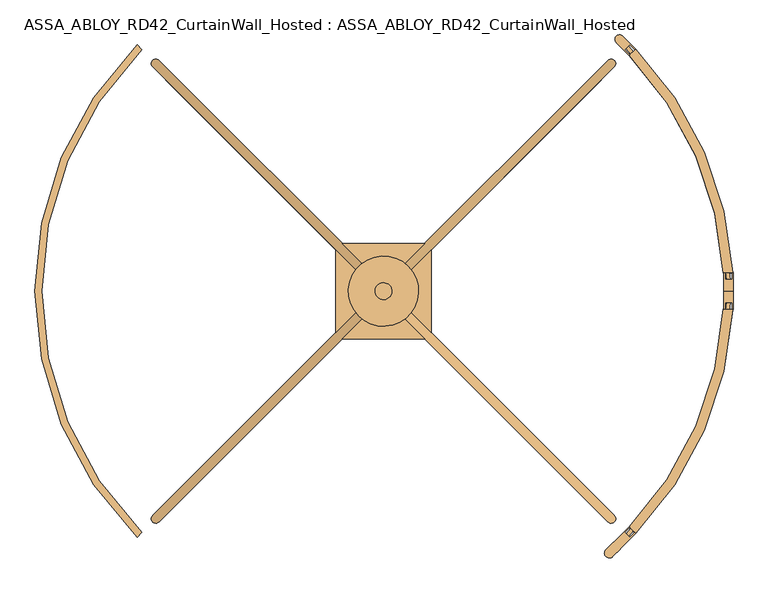
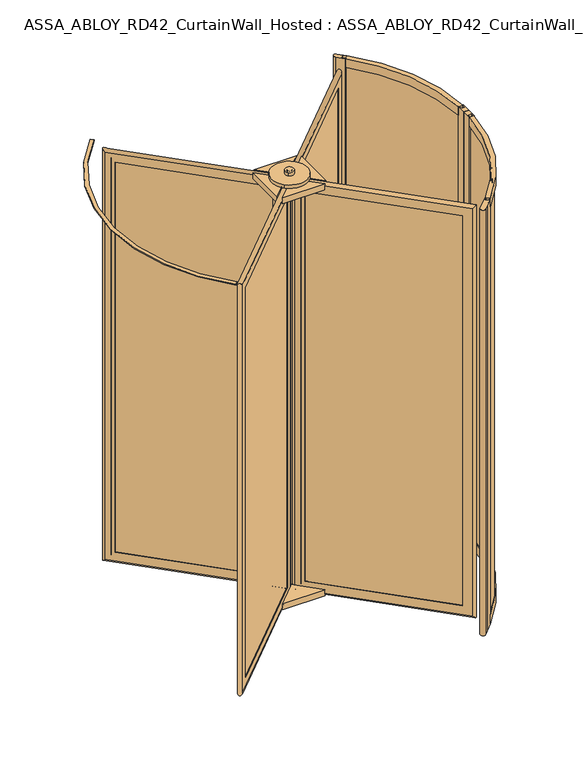
"""IFC4 building model written with IfcOpenShell, lengths in millimetres: door geometry, ASSA_ABLOY_RD42_CurtainWall_Hosted : ASSA_ABLOY_RD42_CurtainWall_Hosted."""

from ifc_helpers import new_model, si_unit, point, frame, frame_2d, origin, origin_with_axes, origin_2d, place, context, project, spatial, polyline, circle_curve, ellipse_curve, trimmed, segment, composite_curve, outline, extrude, source, transform, mapped, element, save
from ifc_brep_helpers import plane_surface, cylinder_surface, revolved_surface, advanced_brep


def assa_abloy_rd42_curtainwall_hosted_assa_abloy_rd42_5934e427(model_context):
    return source(origin(), model_context, "Body", "SolidModel", [
        advanced_brep(
        [(605.2834047, -619.4255403, 105.0), (603.1620844, -621.5468607, 105.0), (603.1620844, -621.5468607, 2395.0), (605.2834047, -619.4255403, 2395.0), (633.5676759, -619.4255403, 85.0), (619.4255403, -633.5676759, 85.0), (619.4255403, -633.5676759, 2415.0), (633.5676759, -619.4255403, 2415.0), (621.5468607, -603.1620844, 105.0), (619.4255403, -605.2834047, 105.0), (619.4255403, -605.2834047, 2395.0), (621.5468607, -603.1620844, 2395.0), (639.931637, -658.3164133, 53.0), (658.3164133, -639.931637, 53.0), (658.3164133, -639.931637, 2447.0), (639.931637, -658.3164133, 2447.0), (48.0832611, -66.4680374, 2395.0), (50.2045815, -64.3467171, 2395.0), (36.0624458, -50.2045815, 2415.0), (50.2045815, -36.0624458, 2415.0), (64.3467171, -50.2045815, 2395.0), (66.4680374, -48.0832611, 2395.0), (29.6984848, -11.3137085, 2447.0), (11.3137085, -29.6984848, 2447.0), (48.0832611, -66.4680374, 105.0), (50.2045815, -64.3467171, 105.0), (36.0624458, -50.2045815, 85.0), (50.2045815, -36.0624458, 85.0), (64.3467171, -50.2045815, 105.0), (66.4680374, -48.0832611, 105.0), (29.6984848, -11.3137085, 53.0), (11.3137085, -29.6984848, 53.0)],
        [
            (0, 1),
            (1, 2),
            (2, 3),
            (3, 0),
            (4, 5),
            (5, 6),
            (6, 7),
            (7, 4),
            (8, 9),
            (9, 10),
            (10, 11),
            (11, 8),
            (12, 13, ellipse_curve(frame((649.1240251, -649.1240251, 53.0), z_axis=(0.4999999999999917, -0.5000000000000084, 0.7071067811865475), x_axis=(0.5000000000000054, -0.4999999999999945, -0.7071067811865476)), 18.3847763, 13.0)),
            (13, 14),
            (14, 15, ellipse_curve(frame((649.1240251, -649.1240251, 2447.0), z_axis=(0.5000000000000054, -0.49999999999999456, -0.7071067811865475), x_axis=(-0.4999999999999915, 0.5000000000000083, -0.7071067811865476)), 18.3847763, 13.0)),
            (15, 12),
            (2, 16),
            (16, 17),
            (17, 3),
            (6, 18),
            (18, 19),
            (19, 7),
            (10, 20),
            (20, 21),
            (21, 11),
            (14, 22),
            (22, 23, ellipse_curve(frame((20.5060967, -20.5060967, 2447.0), z_axis=(0.4999999999999917, -0.5000000000000084, 0.7071067811865475), x_axis=(0.5000000000000054, -0.4999999999999945, -0.7071067811865476)), 18.3847763, 13.0)),
            (23, 15),
            (16, 24),
            (24, 25),
            (25, 17),
            (18, 26),
            (26, 27),
            (27, 19),
            (20, 28),
            (28, 29),
            (29, 21),
            (22, 30),
            (30, 31, ellipse_curve(frame((20.5060967, -20.5060967, 53.0), z_axis=(-0.5000000000000054, 0.49999999999999456, 0.7071067811865475), x_axis=(0.4999999999999915, -0.5000000000000083, 0.7071067811865476)), 18.3847763, 13.0)),
            (31, 23),
            (24, 1),
            (0, 25),
            (5, 26),
            (4, 27),
            (9, 28),
            (8, 29),
            (13, 30),
            (12, 31),
        ],
        [
            plane_surface(frame((603.1620844, -621.5468607, 105.0), z_axis=(-0.7071067811865437, 0.7071067811865513, 0.0), x_axis=(0.0, 0.0, 1.0))),
            plane_surface(frame((619.4255403, -633.5676759, 85.0), z_axis=(-0.7071067811865452, 0.7071067811865498, 0.0), x_axis=(0.0, 0.0, 1.0))),
            plane_surface(frame((619.4255403, -605.2834047, 105.0), z_axis=(-0.7071067811865437, 0.7071067811865513, 0.0), x_axis=(0.0, 0.0, 1.0))),
            cylinder_surface(frame((649.1240251, -649.1240251, 40.0), z_axis=(0.0, 0.0, -1.0), x_axis=(-0.7071067811865456, 0.7071067811865497, 0.0)), 13.0),
            plane_surface(frame((603.1620844, -621.5468607, 2395.0), z_axis=(0.0, 0.0, -1.0), x_axis=(-0.7071067811865455, 0.7071067811865496, 0.0))),
            plane_surface(frame((619.4255403, -633.5676759, 2415.0), z_axis=(0.0, 0.0, -1.0), x_axis=(-0.7071067811865455, 0.7071067811865496, 0.0))),
            plane_surface(frame((619.4255403, -605.2834047, 2395.0), z_axis=(0.0, 0.0, -1.0), x_axis=(-0.7071067811865455, 0.7071067811865496, 0.0))),
            cylinder_surface(frame((658.3164133, -658.3164133, 2447.0), z_axis=(0.7071067811865456, -0.7071067811865497, 0.0), x_axis=(0.0, 0.0, -1.0)), 13.0),
            plane_surface(frame((48.0832611, -66.4680374, 2395.0), z_axis=(0.7071067811865472, -0.7071067811865478, 0.0), x_axis=(0.0, 0.0, -1.0))),
            plane_surface(frame((36.0624458, -50.2045815, 2415.0), z_axis=(0.7071067811865457, -0.7071067811865493, 0.0), x_axis=(0.0, 0.0, -1.0))),
            plane_surface(frame((64.3467171, -50.2045815, 2395.0), z_axis=(0.7071067811865472, -0.7071067811865478, 0.0), x_axis=(0.0, 0.0, -1.0))),
            cylinder_surface(frame((20.5060967, -20.5060967, 2460.0), z_axis=(0.0, 0.0, 1.0), x_axis=(0.7071067811865456, -0.7071067811865497, 0.0)), 13.0),
            plane_surface(frame((48.0832611, -66.4680374, 105.0), z_axis=(0.0, 0.0, 1.0), x_axis=(0.7071067811865455, -0.7071067811865496, 0.0))),
            plane_surface(frame((50.2045815, -64.3467171, 105.0), z_axis=(0.7071067811865496, 0.7071067811865455, 0.0), x_axis=(0.7071067811865455, -0.7071067811865496, 0.0))),
            plane_surface(frame((36.0624458, -50.2045815, 85.0), z_axis=(0.0, 0.0, 1.0), x_axis=(0.7071067811865455, -0.7071067811865496, 0.0))),
            plane_surface(frame((50.2045815, -36.0624458, 85.0), z_axis=(-0.7071067811865496, -0.7071067811865455, 0.0), x_axis=(0.7071067811865455, -0.7071067811865496, 0.0))),
            plane_surface(frame((64.3467171, -50.2045815, 105.0), z_axis=(0.0, 0.0, 1.0), x_axis=(0.7071067811865455, -0.7071067811865496, 0.0))),
            plane_surface(frame((66.4680374, -48.0832611, 105.0), z_axis=(0.7071067811865496, 0.7071067811865455, 0.0), x_axis=(0.7071067811865455, -0.7071067811865496, 0.0))),
            cylinder_surface(frame((11.3137085, -11.3137085, 53.0), z_axis=(-0.7071067811865456, 0.7071067811865497, 0.0), x_axis=(0.0, 0.0, 1.0)), 13.0),
            plane_surface(frame((11.3137085, -29.6984848, 53.0), z_axis=(-0.7071067811865496, -0.7071067811865455, 0.0), x_axis=(0.7071067811865455, -0.7071067811865496, 0.0))),
        ],
        [
            (0, [[1, 2, 3, 4]]),
            (1, [[5, 6, 7, 8]]),
            (2, [[9, 10, 11, 12]]),
            (3, [[13, 14, 15, 16]]),
            (4, [[-3, 17, 18, 19]]),
            (5, [[-7, 20, 21, 22]]),
            (6, [[-11, 23, 24, 25]]),
            (7, [[-15, 26, 27, 28]]),
            (8, [[-18, 29, 30, 31]]),
            (9, [[-21, 32, 33, 34]]),
            (10, [[-24, 35, 36, 37]]),
            (11, [[-27, 38, 39, 40]]),
            (12, [[-30, 41, -1, 42]]),
            (13, [[43, -32, -20, -6], [-19, -31, -42, -4]]),
            (14, [[-33, -43, -5, 44]]),
            (15, [[-22, -34, -44, -8], [45, -35, -23, -10]]),
            (16, [[-36, -45, -9, 46]]),
            (17, [[47, -38, -26, -14], [-25, -37, -46, -12]]),
            (18, [[-39, -47, -13, 48]]),
            (19, [[-28, -40, -48, -16], [-41, -29, -17, -2]]),
        ],
    ),
        extrude(outline(polyline([(630.032142, -622.9610742), (622.9610742, -630.032142), (39.5979797, -46.6690476), (46.6690476, -39.5979797), (630.032142, -622.9610742)])), frame((0.0, 0.0, 85.0), z_axis=(0.0, 0.0, 1.0), x_axis=(1.0, 0.0, 0.0)), (0.0, 0.0, 1.0), 2330.0),
        advanced_brep(
        [(-619.4255403, -605.2834047, 105.0), (-621.5468607, -603.1620844, 105.0), (-621.5468607, -603.1620844, 2395.0), (-619.4255403, -605.2834047, 2395.0), (-619.4255403, -633.5676759, 85.0), (-633.5676759, -619.4255403, 85.0), (-633.5676759, -619.4255403, 2415.0), (-619.4255403, -633.5676759, 2415.0), (-603.1620844, -621.5468607, 105.0), (-605.2834047, -619.4255403, 105.0), (-605.2834047, -619.4255403, 2395.0), (-603.1620844, -621.5468607, 2395.0), (-658.3164133, -639.931637, 53.0), (-639.931637, -658.3164133, 53.0), (-639.931637, -658.3164133, 2447.0), (-658.3164133, -639.931637, 2447.0), (-66.4680374, -48.0832611, 2395.0), (-64.3467171, -50.2045815, 2395.0), (-50.2045815, -36.0624458, 2415.0), (-36.0624458, -50.2045815, 2415.0), (-50.2045815, -64.3467171, 2395.0), (-48.0832611, -66.4680374, 2395.0), (-11.3137085, -29.6984848, 2447.0), (-29.6984848, -11.3137085, 2447.0), (-66.4680374, -48.0832611, 105.0), (-64.3467171, -50.2045815, 105.0), (-50.2045815, -36.0624458, 85.0), (-36.0624458, -50.2045815, 85.0), (-50.2045815, -64.3467171, 105.0), (-48.0832611, -66.4680374, 105.0), (-11.3137085, -29.6984848, 53.0), (-29.6984848, -11.3137085, 53.0)],
        [
            (0, 1),
            (1, 2),
            (2, 3),
            (3, 0),
            (4, 5),
            (5, 6),
            (6, 7),
            (7, 4),
            (8, 9),
            (9, 10),
            (10, 11),
            (11, 8),
            (12, 13, ellipse_curve(frame((-649.1240251, -649.1240251, 53.0), z_axis=(-0.5000000000000089, -0.49999999999999106, 0.7071067811865475), x_axis=(-0.49999999999999495, -0.5000000000000048, -0.7071067811865476)), 18.3847763, 13.0)),
            (13, 14),
            (14, 15, ellipse_curve(frame((-649.1240251, -649.1240251, 2447.0), z_axis=(-0.49999999999999506, -0.5000000000000049, -0.7071067811865475), x_axis=(0.5000000000000088, 0.49999999999999095, -0.7071067811865476)), 18.3847763, 13.0)),
            (15, 12),
            (2, 16),
            (16, 17),
            (17, 3),
            (6, 18),
            (18, 19),
            (19, 7),
            (10, 20),
            (20, 21),
            (21, 11),
            (14, 22),
            (22, 23, ellipse_curve(frame((-20.5060967, -20.5060967, 2447.0), z_axis=(-0.5000000000000089, -0.49999999999999106, 0.7071067811865475), x_axis=(-0.4999999999999951, -0.5000000000000049, -0.7071067811865474)), 18.3847763, 13.0)),
            (23, 15),
            (16, 24),
            (24, 25),
            (25, 17),
            (18, 26),
            (26, 27),
            (27, 19),
            (20, 28),
            (28, 29),
            (29, 21),
            (22, 30),
            (30, 31, ellipse_curve(frame((-20.5060967, -20.5060967, 53.0), z_axis=(0.49999999999999506, 0.5000000000000049, 0.7071067811865475), x_axis=(-0.5000000000000088, -0.49999999999999095, 0.7071067811865476)), 18.3847763, 13.0)),
            (31, 23),
            (24, 1),
            (0, 25),
            (5, 26),
            (4, 27),
            (9, 28),
            (8, 29),
            (13, 30),
            (12, 31),
        ],
        [
            plane_surface(frame((-621.5468607, -603.1620844, 105.0), z_axis=(0.7071067811865521, 0.7071067811865429, 0.0), x_axis=(0.0, 0.0, 1.0))),
            plane_surface(frame((-633.5676759, -619.4255403, 85.0), z_axis=(0.7071067811865506, 0.7071067811865445, 0.0), x_axis=(0.0, 0.0, 1.0))),
            plane_surface(frame((-605.2834047, -619.4255403, 105.0), z_axis=(0.7071067811865521, 0.7071067811865429, 0.0), x_axis=(0.0, 0.0, 1.0))),
            cylinder_surface(frame((-649.1240251, -649.1240251, 40.0), z_axis=(0.0, 0.0, -1.0), x_axis=(0.7071067811865503, 0.7071067811865447, 0.0)), 13.0),
            plane_surface(frame((-621.5468607, -603.1620844, 2395.0), z_axis=(0.0, 0.0, -1.0), x_axis=(0.7071067811865503, 0.7071067811865447, 0.0))),
            plane_surface(frame((-633.5676759, -619.4255403, 2415.0), z_axis=(0.0, 0.0, -1.0), x_axis=(0.7071067811865503, 0.7071067811865447, 0.0))),
            plane_surface(frame((-605.2834047, -619.4255403, 2395.0), z_axis=(0.0, 0.0, -1.0), x_axis=(0.7071067811865503, 0.7071067811865447, 0.0))),
            cylinder_surface(frame((-658.3164133, -658.3164133, 2447.0), z_axis=(-0.7071067811865503, -0.7071067811865447, 0.0), x_axis=(0.0, 0.0, -1.0)), 13.0),
            plane_surface(frame((-66.4680374, -48.0832611, 2395.0), z_axis=(-0.7071067811865486, -0.7071067811865465, 0.0), x_axis=(0.0, 0.0, -1.0))),
            plane_surface(frame((-50.2045815, -36.0624458, 2415.0), z_axis=(-0.7071067811865501, -0.7071067811865449, 0.0), x_axis=(0.0, 0.0, -1.0))),
            plane_surface(frame((-50.2045815, -64.3467171, 2395.0), z_axis=(-0.7071067811865486, -0.7071067811865465, 0.0), x_axis=(0.0, 0.0, -1.0))),
            cylinder_surface(frame((-20.5060967, -20.5060967, 2460.0), z_axis=(0.0, 0.0, 1.0), x_axis=(-0.7071067811865503, -0.7071067811865447, 0.0)), 13.0),
            plane_surface(frame((-66.4680374, -48.0832611, 105.0), z_axis=(0.0, 0.0, 1.0), x_axis=(-0.7071067811865503, -0.7071067811865447, 0.0))),
            plane_surface(frame((-64.3467171, -50.2045815, 105.0), z_axis=(0.7071067811865447, -0.7071067811865503, 0.0), x_axis=(-0.7071067811865503, -0.7071067811865447, 0.0))),
            plane_surface(frame((-50.2045815, -36.0624458, 85.0), z_axis=(0.0, 0.0, 1.0), x_axis=(-0.7071067811865503, -0.7071067811865447, 0.0))),
            plane_surface(frame((-36.0624458, -50.2045815, 85.0), z_axis=(-0.7071067811865447, 0.7071067811865503, 0.0), x_axis=(-0.7071067811865503, -0.7071067811865447, 0.0))),
            plane_surface(frame((-50.2045815, -64.3467171, 105.0), z_axis=(0.0, 0.0, 1.0), x_axis=(-0.7071067811865503, -0.7071067811865447, 0.0))),
            plane_surface(frame((-48.0832611, -66.4680374, 105.0), z_axis=(0.7071067811865447, -0.7071067811865503, 0.0), x_axis=(-0.7071067811865503, -0.7071067811865447, 0.0))),
            cylinder_surface(frame((-11.3137085, -11.3137085, 53.0), z_axis=(0.7071067811865503, 0.7071067811865447, 0.0), x_axis=(0.0, 0.0, 1.0)), 13.0),
            plane_surface(frame((-29.6984848, -11.3137085, 53.0), z_axis=(-0.7071067811865447, 0.7071067811865503, 0.0), x_axis=(-0.7071067811865503, -0.7071067811865447, 0.0))),
        ],
        [
            (0, [[1, 2, 3, 4]]),
            (1, [[5, 6, 7, 8]]),
            (2, [[9, 10, 11, 12]]),
            (3, [[13, 14, 15, 16]]),
            (4, [[-3, 17, 18, 19]]),
            (5, [[-7, 20, 21, 22]]),
            (6, [[-11, 23, 24, 25]]),
            (7, [[-15, 26, 27, 28]]),
            (8, [[-18, 29, 30, 31]]),
            (9, [[-21, 32, 33, 34]]),
            (10, [[-24, 35, 36, 37]]),
            (11, [[-27, 38, 39, 40]]),
            (12, [[-30, 41, -1, 42]]),
            (13, [[43, -32, -20, -6], [-19, -31, -42, -4]]),
            (14, [[-33, -43, -5, 44]]),
            (15, [[-22, -34, -44, -8], [45, -35, -23, -10]]),
            (16, [[-36, -45, -9, 46]]),
            (17, [[47, -38, -26, -14], [-25, -37, -46, -12]]),
            (18, [[-39, -47, -13, 48]]),
            (19, [[-28, -40, -48, -16], [-41, -29, -17, -2]]),
        ],
    ),
        extrude(outline(polyline([(-622.9610742, -630.032142), (-630.032142, -622.9610742), (-46.6690476, -39.5979797), (-39.5979797, -46.6690476), (-622.9610742, -630.032142)])), frame((0.0, 0.0, 85.0), z_axis=(0.0, 0.0, 1.0), x_axis=(1.0, 0.0, 0.0)), (0.0, 0.0, 1.0), 2330.0),
        advanced_brep(
        [(-605.2834047, 619.4255403, 105.0), (-603.1620844, 621.5468607, 105.0), (-603.1620844, 621.5468607, 2395.0), (-605.2834047, 619.4255403, 2395.0), (-633.5676759, 619.4255403, 85.0), (-619.4255403, 633.5676759, 85.0), (-619.4255403, 633.5676759, 2415.0), (-633.5676759, 619.4255403, 2415.0), (-621.5468607, 603.1620844, 105.0), (-619.4255403, 605.2834047, 105.0), (-619.4255403, 605.2834047, 2395.0), (-621.5468607, 603.1620844, 2395.0), (-639.931637, 658.3164133, 53.0), (-658.3164133, 639.931637, 53.0), (-658.3164133, 639.931637, 2447.0), (-639.931637, 658.3164133, 2447.0), (-48.0832611, 66.4680374, 2395.0), (-50.2045815, 64.3467171, 2395.0), (-36.0624458, 50.2045815, 2415.0), (-50.2045815, 36.0624458, 2415.0), (-64.3467171, 50.2045815, 2395.0), (-66.4680374, 48.0832611, 2395.0), (-29.6984848, 11.3137085, 2447.0), (-11.3137085, 29.6984848, 2447.0), (-48.0832611, 66.4680374, 105.0), (-50.2045815, 64.3467171, 105.0), (-36.0624458, 50.2045815, 85.0), (-50.2045815, 36.0624458, 85.0), (-64.3467171, 50.2045815, 105.0), (-66.4680374, 48.0832611, 105.0), (-29.6984848, 11.3137085, 53.0), (-11.3137085, 29.6984848, 53.0)],
        [
            (0, 1),
            (1, 2),
            (2, 3),
            (3, 0),
            (4, 5),
            (5, 6),
            (6, 7),
            (7, 4),
            (8, 9),
            (9, 10),
            (10, 11),
            (11, 8),
            (12, 13, ellipse_curve(frame((-649.1240251, 649.1240251, 53.0), z_axis=(-0.4999999999999913, 0.5000000000000087, 0.7071067811865475), x_axis=(-0.500000000000005, 0.4999999999999947, -0.7071067811865476)), 18.3847763, 13.0)),
            (13, 14),
            (14, 15, ellipse_curve(frame((-649.1240251, 649.1240251, 2447.0), z_axis=(-0.5000000000000051, 0.4999999999999948, -0.7071067811865475), x_axis=(0.4999999999999912, -0.5000000000000085, -0.7071067811865476)), 18.3847763, 13.0)),
            (15, 12),
            (2, 16),
            (16, 17),
            (17, 3),
            (6, 18),
            (18, 19),
            (19, 7),
            (10, 20),
            (20, 21),
            (21, 11),
            (14, 22),
            (22, 23, ellipse_curve(frame((-20.5060967, 20.5060967, 2447.0), z_axis=(-0.4999999999999913, 0.5000000000000087, 0.7071067811865475), x_axis=(-0.5000000000000052, 0.49999999999999495, -0.7071067811865475)), 18.3847763, 13.0)),
            (23, 15),
            (16, 24),
            (24, 25),
            (25, 17),
            (18, 26),
            (26, 27),
            (27, 19),
            (20, 28),
            (28, 29),
            (29, 21),
            (22, 30),
            (30, 31, ellipse_curve(frame((-20.5060967, 20.5060967, 53.0), z_axis=(0.5000000000000051, -0.4999999999999948, 0.7071067811865475), x_axis=(-0.4999999999999912, 0.5000000000000085, 0.7071067811865476)), 18.3847763, 13.0)),
            (31, 23),
            (24, 1),
            (0, 25),
            (5, 26),
            (4, 27),
            (9, 28),
            (8, 29),
            (13, 30),
            (12, 31),
        ],
        [
            plane_surface(frame((-603.1620844, 621.5468607, 105.0), z_axis=(0.7071067811865432, -0.7071067811865518, 0.0), x_axis=(0.0, 0.0, 1.0))),
            plane_surface(frame((-619.4255403, 633.5676759, 85.0), z_axis=(0.7071067811865448, -0.7071067811865502, 0.0), x_axis=(0.0, 0.0, 1.0))),
            plane_surface(frame((-619.4255403, 605.2834047, 105.0), z_axis=(0.7071067811865432, -0.7071067811865518, 0.0), x_axis=(0.0, 0.0, 1.0))),
            cylinder_surface(frame((-649.1240251, 649.1240251, 40.0), z_axis=(0.0, 0.0, -1.0), x_axis=(0.707106781186545, -0.70710678118655, 0.0)), 13.0),
            plane_surface(frame((-603.1620844, 621.5468607, 2395.0), z_axis=(0.0, 0.0, -1.0), x_axis=(0.707106781186545, -0.70710678118655, 0.0))),
            plane_surface(frame((-619.4255403, 633.5676759, 2415.0), z_axis=(0.0, 0.0, -1.0), x_axis=(0.707106781186545, -0.70710678118655, 0.0))),
            plane_surface(frame((-619.4255403, 605.2834047, 2395.0), z_axis=(0.0, 0.0, -1.0), x_axis=(0.707106781186545, -0.70710678118655, 0.0))),
            cylinder_surface(frame((-658.3164133, 658.3164133, 2447.0), z_axis=(-0.707106781186545, 0.70710678118655, 0.0), x_axis=(0.0, 0.0, -1.0)), 13.0),
            plane_surface(frame((-48.0832611, 66.4680374, 2395.0), z_axis=(-0.7071067811865468, 0.7071067811865482, 0.0), x_axis=(0.0, 0.0, -1.0))),
            plane_surface(frame((-36.0624458, 50.2045815, 2415.0), z_axis=(-0.7071067811865452, 0.7071067811865498, 0.0), x_axis=(0.0, 0.0, -1.0))),
            plane_surface(frame((-64.3467171, 50.2045815, 2395.0), z_axis=(-0.7071067811865468, 0.7071067811865482, 0.0), x_axis=(0.0, 0.0, -1.0))),
            cylinder_surface(frame((-20.5060967, 20.5060967, 2460.0), z_axis=(0.0, 0.0, 1.0), x_axis=(-0.707106781186545, 0.70710678118655, 0.0)), 13.0),
            plane_surface(frame((-48.0832611, 66.4680374, 105.0), z_axis=(0.0, 0.0, 1.0), x_axis=(-0.707106781186545, 0.70710678118655, 0.0))),
            plane_surface(frame((-50.2045815, 64.3467171, 105.0), z_axis=(-0.70710678118655, -0.707106781186545, 0.0), x_axis=(-0.707106781186545, 0.70710678118655, 0.0))),
            plane_surface(frame((-36.0624458, 50.2045815, 85.0), z_axis=(0.0, 0.0, 1.0), x_axis=(-0.707106781186545, 0.70710678118655, 0.0))),
            plane_surface(frame((-50.2045815, 36.0624458, 85.0), z_axis=(0.70710678118655, 0.707106781186545, 0.0), x_axis=(-0.707106781186545, 0.70710678118655, 0.0))),
            plane_surface(frame((-64.3467171, 50.2045815, 105.0), z_axis=(0.0, 0.0, 1.0), x_axis=(-0.707106781186545, 0.70710678118655, 0.0))),
            plane_surface(frame((-66.4680374, 48.0832611, 105.0), z_axis=(-0.70710678118655, -0.707106781186545, 0.0), x_axis=(-0.707106781186545, 0.70710678118655, 0.0))),
            cylinder_surface(frame((-11.3137085, 11.3137085, 53.0), z_axis=(0.707106781186545, -0.70710678118655, 0.0), x_axis=(0.0, 0.0, 1.0)), 13.0),
            plane_surface(frame((-11.3137085, 29.6984848, 53.0), z_axis=(0.70710678118655, 0.707106781186545, 0.0), x_axis=(-0.707106781186545, 0.70710678118655, 0.0))),
        ],
        [
            (0, [[1, 2, 3, 4]]),
            (1, [[5, 6, 7, 8]]),
            (2, [[9, 10, 11, 12]]),
            (3, [[13, 14, 15, 16]]),
            (4, [[-3, 17, 18, 19]]),
            (5, [[-7, 20, 21, 22]]),
            (6, [[-11, 23, 24, 25]]),
            (7, [[-15, 26, 27, 28]]),
            (8, [[-18, 29, 30, 31]]),
            (9, [[-21, 32, 33, 34]]),
            (10, [[-24, 35, 36, 37]]),
            (11, [[-27, 38, 39, 40]]),
            (12, [[-30, 41, -1, 42]]),
            (13, [[43, -32, -20, -6], [-19, -31, -42, -4]]),
            (14, [[-33, -43, -5, 44]]),
            (15, [[-22, -34, -44, -8], [45, -35, -23, -10]]),
            (16, [[-36, -45, -9, 46]]),
            (17, [[47, -38, -26, -14], [-25, -37, -46, -12]]),
            (18, [[-39, -47, -13, 48]]),
            (19, [[-28, -40, -48, -16], [-41, -29, -17, -2]]),
        ],
    ),
        extrude(outline(polyline([(-630.032142, 622.9610742), (-622.9610742, 630.032142), (-39.5979797, 46.6690476), (-46.6690476, 39.5979797), (-630.032142, 622.9610742)])), frame((0.0, 0.0, 85.0), z_axis=(0.0, 0.0, 1.0), x_axis=(1.0, 0.0, 0.0)), (0.0, 0.0, 1.0), 2330.0),
        advanced_brep(
        [(619.4255403, 605.2834047, 105.0), (621.5468607, 603.1620844, 105.0), (621.5468607, 603.1620844, 2395.0), (619.4255403, 605.2834047, 2395.0), (619.4255403, 633.5676759, 85.0), (633.5676759, 619.4255403, 85.0), (633.5676759, 619.4255403, 2415.0), (619.4255403, 633.5676759, 2415.0), (603.1620844, 621.5468607, 105.0), (605.2834047, 619.4255403, 105.0), (605.2834047, 619.4255403, 2395.0), (603.1620844, 621.5468607, 2395.0), (658.3164133, 639.931637, 53.0), (639.931637, 658.3164133, 53.0), (639.931637, 658.3164133, 2447.0), (658.3164133, 639.931637, 2447.0), (66.4680374, 48.0832611, 2395.0), (64.3467171, 50.2045815, 2395.0), (50.2045815, 36.0624458, 2415.0), (36.0624458, 50.2045815, 2415.0), (50.2045815, 64.3467171, 2395.0), (48.0832611, 66.4680374, 2395.0), (11.3137085, 29.6984848, 2447.0), (29.6984848, 11.3137085, 2447.0), (66.4680374, 48.0832611, 105.0), (64.3467171, 50.2045815, 105.0), (50.2045815, 36.0624458, 85.0), (36.0624458, 50.2045815, 85.0), (50.2045815, 64.3467171, 105.0), (48.0832611, 66.4680374, 105.0), (11.3137085, 29.6984848, 53.0), (29.6984848, 11.3137085, 53.0)],
        [
            (0, 1),
            (1, 2),
            (2, 3),
            (3, 0),
            (4, 5),
            (5, 6),
            (6, 7),
            (7, 4),
            (8, 9),
            (9, 10),
            (10, 11),
            (11, 8),
            (12, 13, ellipse_curve(frame((649.1240251, 649.1240251, 53.0), z_axis=(0.5000000000000073, 0.4999999999999926, 0.7071067811865475), x_axis=(0.4999999999999934, 0.5000000000000063, -0.7071067811865476)), 18.3847763, 13.0)),
            (13, 14),
            (14, 15, ellipse_curve(frame((649.1240251, 649.1240251, 2447.0), z_axis=(0.49999999999999345, 0.5000000000000064, -0.7071067811865475), x_axis=(-0.5000000000000072, -0.4999999999999925, -0.7071067811865476)), 18.3847763, 13.0)),
            (15, 12),
            (2, 16),
            (16, 17),
            (17, 3),
            (6, 18),
            (18, 19),
            (19, 7),
            (10, 20),
            (20, 21),
            (21, 11),
            (14, 22),
            (22, 23, ellipse_curve(frame((20.5060967, 20.5060967, 2447.0), z_axis=(0.5000000000000073, 0.4999999999999926, 0.7071067811865475), x_axis=(0.4999999999999936, 0.5000000000000066, -0.7071067811865475)), 18.3847763, 13.0)),
            (23, 15),
            (16, 24),
            (24, 25),
            (25, 17),
            (18, 26),
            (26, 27),
            (27, 19),
            (20, 28),
            (28, 29),
            (29, 21),
            (22, 30),
            (30, 31, ellipse_curve(frame((20.5060967, 20.5060967, 53.0), z_axis=(-0.49999999999999345, -0.5000000000000064, 0.7071067811865475), x_axis=(0.5000000000000072, 0.4999999999999925, 0.7071067811865476)), 18.3847763, 13.0)),
            (31, 23),
            (24, 1),
            (0, 25),
            (5, 26),
            (4, 27),
            (9, 28),
            (8, 29),
            (13, 30),
            (12, 31),
        ],
        [
            plane_surface(frame((621.5468607, 603.1620844, 105.0), z_axis=(-0.7071067811865499, -0.7071067811865451, 0.0), x_axis=(0.0, 0.0, 1.0))),
            plane_surface(frame((633.5676759, 619.4255403, 85.0), z_axis=(-0.7071067811865483, -0.7071067811865467, 0.0), x_axis=(0.0, 0.0, 1.0))),
            plane_surface(frame((605.2834047, 619.4255403, 105.0), z_axis=(-0.7071067811865499, -0.7071067811865451, 0.0), x_axis=(0.0, 0.0, 1.0))),
            cylinder_surface(frame((649.1240251, 649.1240251, 40.0), z_axis=(0.0, 0.0, -1.0), x_axis=(-0.7071067811865481, -0.7071067811865469, 0.0)), 13.0),
            plane_surface(frame((621.5468607, 603.1620844, 2395.0), z_axis=(0.0, 0.0, -1.0), x_axis=(-0.7071067811865481, -0.7071067811865469, 0.0))),
            plane_surface(frame((633.5676759, 619.4255403, 2415.0), z_axis=(0.0, 0.0, -1.0), x_axis=(-0.7071067811865481, -0.7071067811865469, 0.0))),
            plane_surface(frame((605.2834047, 619.4255403, 2395.0), z_axis=(0.0, 0.0, -1.0), x_axis=(-0.7071067811865481, -0.7071067811865469, 0.0))),
            cylinder_surface(frame((658.3164133, 658.3164133, 2447.0), z_axis=(0.7071067811865481, 0.7071067811865469, 0.0), x_axis=(0.0, 0.0, -1.0)), 13.0),
            plane_surface(frame((66.4680374, 48.0832611, 2395.0), z_axis=(0.7071067811865464, 0.7071067811865487, 0.0), x_axis=(0.0, 0.0, -1.0))),
            plane_surface(frame((50.2045815, 36.0624458, 2415.0), z_axis=(0.7071067811865479, 0.7071067811865471, 0.0), x_axis=(0.0, 0.0, -1.0))),
            plane_surface(frame((50.2045815, 64.3467171, 2395.0), z_axis=(0.7071067811865464, 0.7071067811865487, 0.0), x_axis=(0.0, 0.0, -1.0))),
            cylinder_surface(frame((20.5060967, 20.5060967, 2460.0), z_axis=(0.0, 0.0, 1.0), x_axis=(0.7071067811865481, 0.7071067811865469, 0.0)), 13.0),
            plane_surface(frame((66.4680374, 48.0832611, 105.0), z_axis=(0.0, 0.0, 1.0), x_axis=(0.7071067811865481, 0.7071067811865469, 0.0))),
            plane_surface(frame((64.3467171, 50.2045815, 105.0), z_axis=(-0.7071067811865469, 0.7071067811865481, 0.0), x_axis=(0.7071067811865481, 0.7071067811865469, 0.0))),
            plane_surface(frame((50.2045815, 36.0624458, 85.0), z_axis=(0.0, 0.0, 1.0), x_axis=(0.7071067811865481, 0.7071067811865469, 0.0))),
            plane_surface(frame((36.0624458, 50.2045815, 85.0), z_axis=(0.7071067811865469, -0.7071067811865481, 0.0), x_axis=(0.7071067811865481, 0.7071067811865469, 0.0))),
            plane_surface(frame((50.2045815, 64.3467171, 105.0), z_axis=(0.0, 0.0, 1.0), x_axis=(0.7071067811865481, 0.7071067811865469, 0.0))),
            plane_surface(frame((48.0832611, 66.4680374, 105.0), z_axis=(-0.7071067811865469, 0.7071067811865481, 0.0), x_axis=(0.7071067811865481, 0.7071067811865469, 0.0))),
            cylinder_surface(frame((11.3137085, 11.3137085, 53.0), z_axis=(-0.7071067811865481, -0.7071067811865469, 0.0), x_axis=(0.0, 0.0, 1.0)), 13.0),
            plane_surface(frame((29.6984848, 11.3137085, 53.0), z_axis=(0.7071067811865469, -0.7071067811865481, 0.0), x_axis=(0.7071067811865481, 0.7071067811865469, 0.0))),
        ],
        [
            (0, [[1, 2, 3, 4]]),
            (1, [[5, 6, 7, 8]]),
            (2, [[9, 10, 11, 12]]),
            (3, [[13, 14, 15, 16]]),
            (4, [[-3, 17, 18, 19]]),
            (5, [[-7, 20, 21, 22]]),
            (6, [[-11, 23, 24, 25]]),
            (7, [[-15, 26, 27, 28]]),
            (8, [[-18, 29, 30, 31]]),
            (9, [[-21, 32, 33, 34]]),
            (10, [[-24, 35, 36, 37]]),
            (11, [[-27, 38, 39, 40]]),
            (12, [[-30, 41, -1, 42]]),
            (13, [[43, -32, -20, -6], [-19, -31, -42, -4]]),
            (14, [[-33, -43, -5, 44]]),
            (15, [[-22, -34, -44, -8], [45, -35, -23, -10]]),
            (16, [[-36, -45, -9, 46]]),
            (17, [[47, -38, -26, -14], [-25, -37, -46, -12]]),
            (18, [[-39, -47, -13, 48]]),
            (19, [[-28, -40, -48, -16], [-41, -29, -17, -2]]),
        ],
    ),
        extrude(outline(polyline([(622.9610742, 630.032142), (630.032142, 622.9610742), (46.6690476, 39.5979797), (39.5979797, 46.6690476), (622.9610742, 630.032142)])), frame((0.0, 0.0, 85.0), z_axis=(0.0, 0.0, 1.0), x_axis=(1.0, 0.0, 0.0)), (0.0, 0.0, 1.0), 2330.0),
        extrude(outline(composite_curve([segment(trimmed(circle_curve(origin_2d(), 24.0), [point((-16.9705627, -16.9705627))], [point((16.9705627, 16.9705627))], False, "CARTESIAN"), True, "CONTINUOUS"), segment(trimmed(circle_curve(origin_2d(), 24.0), [point((16.9705627, 16.9705627))], [point((-16.9705627, -16.9705627))], False, "CARTESIAN"), True, "CONTINUOUS")], self_intersect=False)), origin_with_axes(), (0.0, 0.0, 1.0), 20.0),
        extrude(outline(composite_curve([segment(trimmed(circle_curve(origin_2d(), 100.0), [point((-70.7106781, -70.7106781))], [point((70.7106781, 70.7106781))], False, "CARTESIAN"), True, "CONTINUOUS"), segment(trimmed(circle_curve(origin_2d(), 100.0), [point((70.7106781, 70.7106781))], [point((-70.7106781, -70.7106781))], False, "CARTESIAN"), True, "CONTINUOUS")], self_intersect=False)), frame((0.0, 0.0, 20.0), z_axis=(0.0, 0.0, 1.0), x_axis=(1.0, 0.0, 0.0)), (0.0, 0.0, 1.0), 20.0),
        extrude(outline(composite_curve([segment(trimmed(circle_curve(origin_2d(), 24.0), [point((16.9705627, 16.9705627))], [point((-16.9705627, -16.9705627))], False, "CARTESIAN"), True, "CONTINUOUS"), segment(trimmed(circle_curve(origin_2d(), 24.0), [point((-16.9705627, -16.9705627))], [point((16.9705627, 16.9705627))], False, "CARTESIAN"), True, "CONTINUOUS")], self_intersect=False)), frame((0.0, 0.0, 2480.0), z_axis=(0.0, 0.0, 1.0), x_axis=(1.0, 0.0, 0.0)), (0.0, 0.0, 1.0), 20.0),
        extrude(outline(composite_curve([segment(trimmed(circle_curve(origin_2d(), 100.0), [point((70.7106781, 70.7106781))], [point((-70.7106781, -70.7106781))], False, "CARTESIAN"), True, "CONTINUOUS"), segment(trimmed(circle_curve(origin_2d(), 100.0), [point((-70.7106781, -70.7106781))], [point((70.7106781, 70.7106781))], False, "CARTESIAN"), True, "CONTINUOUS")], self_intersect=False)), frame((0.0, 0.0, 2460.0), z_axis=(0.0, 0.0, 1.0), x_axis=(1.0, 0.0, 0.0)), (0.0, 0.0, 1.0), 20.0),
        extrude(outline(composite_curve([segment(trimmed(circle_curve(origin_2d(), 12.5), [point((-8.8388348, -8.8388348))], [point((8.8388348, 8.8388348))], False, "CARTESIAN"), True, "CONTINUOUS"), segment(trimmed(circle_curve(origin_2d(), 12.5), [point((8.8388348, 8.8388348))], [point((-8.8388348, -8.8388348))], False, "CARTESIAN"), True, "CONTINUOUS")], self_intersect=False)), origin_with_axes(), (0.0, 0.0, 1.0), 2500.0),
        extrude(outline(polyline([(-136.0, 117.6152237), (-18.3847763, 0.0), (-136.0, -117.6152237), (-136.0, 117.6152237)])), frame((0.0, 0.0, 2425.0), z_axis=(0.0, 0.0, 1.0), x_axis=(1.0, 0.0, 0.0)), (0.0, 0.0, 1.0), 35.0),
        extrude(outline(polyline([(-117.6152237, -136.0), (0.0, -18.3847763), (117.6152237, -136.0), (-117.6152237, -136.0)])), frame((0.0, 0.0, 2425.0), z_axis=(0.0, 0.0, 1.0), x_axis=(1.0, 0.0, 0.0)), (0.0, 0.0, 1.0), 35.0),
        extrude(outline(polyline([(136.0, -117.6152237), (18.3847763, 0.0), (136.0, 117.6152237), (136.0, -117.6152237)])), frame((0.0, 0.0, 2425.0), z_axis=(0.0, 0.0, 1.0), x_axis=(1.0, 0.0, 0.0)), (0.0, 0.0, 1.0), 35.0),
        extrude(outline(polyline([(117.6152237, 136.0), (0.0, 18.3847763), (-117.6152237, 136.0), (117.6152237, 136.0)])), frame((0.0, 0.0, 2425.0), z_axis=(0.0, 0.0, 1.0), x_axis=(1.0, 0.0, 0.0)), (0.0, 0.0, 1.0), 35.0),
        extrude(outline(polyline([(-136.0, 117.6152237), (-18.3847763, 0.0), (-136.0, -117.6152237), (-136.0, 117.6152237)])), frame((0.0, 0.0, 40.0), z_axis=(0.0, 0.0, 1.0), x_axis=(1.0, 0.0, 0.0)), (0.0, 0.0, 1.0), 35.0),
        extrude(outline(polyline([(-117.6152237, -136.0), (0.0, -18.3847763), (117.6152237, -136.0), (-117.6152237, -136.0)])), frame((0.0, 0.0, 40.0), z_axis=(0.0, 0.0, 1.0), x_axis=(1.0, 0.0, 0.0)), (0.0, 0.0, 1.0), 35.0),
        extrude(outline(polyline([(136.0, -117.6152237), (18.3847763, 0.0), (136.0, 117.6152237), (136.0, -117.6152237)])), frame((0.0, 0.0, 40.0), z_axis=(0.0, 0.0, 1.0), x_axis=(1.0, 0.0, 0.0)), (0.0, 0.0, 1.0), 35.0),
        extrude(outline(polyline([(117.6152237, 136.0), (0.0, 18.3847763), (-117.6152237, 136.0), (117.6152237, 136.0)])), frame((0.0, 0.0, 40.0), z_axis=(0.0, 0.0, 1.0), x_axis=(1.0, 0.0, 0.0)), (0.0, 0.0, 1.0), 35.0),
        extrude(outline(composite_curve([segment(trimmed(circle_curve(origin_2d(), 974.0), [point((-688.7220049, 688.7220049))], [point((-688.7220049, -688.7220049))], True, "CARTESIAN"), True, "CONTINUOUS"), segment(polyline([(-688.7220049, -688.7220049), (-702.8641405, -702.8641405)]), True, "CONTINUOUS"), segment(trimmed(circle_curve(origin_2d(), 994.0), [point((-702.8641405, -702.8641405))], [point((-702.8641405, 702.8641405))], False, "CARTESIAN"), True, "CONTINUOUS"), segment(polyline([(-702.8641405, 702.8641405), (-688.7220049, 688.7220049)]), True, "CONTINUOUS")], self_intersect=False)), frame((0.0, 0.0, 2495.0), z_axis=(0.0, 0.0, 1.0), x_axis=(1.0, 0.0, 0.0)), (0.0, 0.0, 1.0), 5.0),
        extrude(outline(composite_curve([segment(trimmed(circle_curve(origin_2d(), 989.0), [point((699.3286066, 699.3286066))], [point((988.4436781, 33.1676829))], False, "CARTESIAN"), True, "CONTINUOUS"), segment(polyline([(988.4436781, 33.1676829), (978.4493032, 32.8323171)]), True, "CONTINUOUS"), segment(trimmed(circle_curve(origin_2d(), 979.0), [point((978.4493032, 32.8323171))], [point((692.2575388, 692.2575388))], True, "CARTESIAN"), True, "CONTINUOUS"), segment(polyline([(692.2575388, 692.2575388), (699.3286066, 699.3286066)]), True, "CONTINUOUS")], self_intersect=False)), frame((0.0, 0.0, 33.0), z_axis=(0.0, 0.0, 1.0), x_axis=(1.0, 0.0, 0.0)), (0.0, 0.0, 1.0), 2437.0),
        extrude(outline(composite_curve([segment(trimmed(circle_curve(origin_2d(), 989.0), [point((988.4436781, -33.1676829))], [point((699.3286066, -699.3286066))], False, "CARTESIAN"), True, "CONTINUOUS"), segment(polyline([(699.3286066, -699.3286066), (692.2575388, -692.2575388)]), True, "CONTINUOUS"), segment(trimmed(circle_curve(origin_2d(), 979.0), [point((692.2575388, -692.2575388))], [point((978.4493032, -32.8323171))], True, "CARTESIAN"), True, "CONTINUOUS"), segment(polyline([(978.4493032, -32.8323171), (988.4436781, -33.1676829)]), True, "CONTINUOUS")], self_intersect=False)), frame((0.0, 0.0, 33.0), z_axis=(0.0, 0.0, 1.0), x_axis=(1.0, 0.0, 0.0)), (0.0, 0.0, 1.0), 2437.0),
        extrude(outline(composite_curve([segment(polyline([(702.863883, -702.863883), (717.0060186, -688.7217474), (719.1270815, -690.8428103), (674.5793543, -735.3905375), (675.2864632, -736.0976464), (654.0719672, -757.3121425)]), True, "CONTINUOUS"), segment(trimmed(circle_curve(frame_2d((644.1727276, -747.4129028)), 13.9996389), [point((654.0719672, -757.3121425))], [point((634.273488, -737.5136632))], False, "CARTESIAN"), True, "CONTINUOUS"), segment(polyline([(634.273488, -737.5136632), (655.487984, -716.2991672), (656.1950929, -717.0062761), (700.7428202, -672.4585489), (702.863883, -674.5796118), (688.7217474, -688.7217474), (702.863883, -702.863883)]), True, "CONTINUOUS")], self_intersect=False)), origin_with_axes(), (0.0, 0.0, 1.0), 2500.0),
        extrude(outline(composite_curve([segment(polyline([(702.863883, 702.863883), (688.7217474, 688.7217474), (702.863883, 674.5796118), (700.7428202, 672.4585489), (663.9730099, 709.2283592)]), True, "CONTINUOUS"), segment(trimmed(circle_curve(frame_2d((673.1651406, 718.4204898)), 12.9996359), [point((663.9730099, 709.2283592))], [point((682.3572713, 727.6126205))], False, "CARTESIAN"), True, "CONTINUOUS"), segment(polyline([(682.3572713, 727.6126205), (719.1270815, 690.8428103), (717.0060186, 688.7217474), (702.863883, 702.863883)]), True, "CONTINUOUS")], self_intersect=False)), origin_with_axes(), (0.0, 0.0, 1.0), 2500.0),
        advanced_brep(
        [(700.2358565, 672.6891892, 0.0), (700.2358565, 672.6891892, 53.0), (702.3993041, 674.7675286, 53.0), (702.3993041, 674.7675286, 33.0), (716.8222877, 688.6231246, 33.0), (716.8222877, 688.6231246, 53.0), (718.9857353, 690.701464, 53.0), (718.9857353, 690.701464, 0.0), (969.6270403, 51.6178536, 0.0), (995.5902772, 53.0, 0.0), (995.5902772, 53.0, 53.0), (992.5945191, 52.8405216, 53.0), (992.5945191, 52.8405216, 33.0), (972.6227984, 51.777332, 33.0), (972.6227984, 51.777332, 53.0), (969.6270403, 51.6178536, 53.0)],
        [
            (0, 1),
            (1, 2),
            (2, 3),
            (3, 4),
            (4, 5),
            (5, 6),
            (6, 7),
            (7, 0),
            (8, 9),
            (9, 10),
            (10, 11),
            (11, 12),
            (12, 13),
            (13, 14),
            (14, 15),
            (15, 8),
            (15, 1, circle_curve(frame((0.0, 0.0, 53.0), z_axis=(0.0, 0.0, 1.0), x_axis=(0.7211491828452432, 0.6927798034596837, 0.0)), 971.0)),
            (0, 8, circle_curve(frame((0.0, 0.0, 0.0), z_axis=(0.0, 0.0, -1.0), x_axis=(0.7211491828452432, 0.6927798034596837, 0.0)), 971.0)),
            (14, 2, circle_curve(frame((0.0, 0.0, 53.0), z_axis=(0.0, 0.0, 1.0), x_axis=(0.7211491828452432, 0.6927798034596837, 0.0)), 974.0)),
            (13, 3, circle_curve(frame((0.0, 0.0, 33.0), z_axis=(0.0, 0.0, 1.0), x_axis=(0.7211491828452432, 0.6927798034596837, 0.0)), 974.0)),
            (12, 4, circle_curve(frame((0.0, 0.0, 33.0), z_axis=(0.0, 0.0, 1.0), x_axis=(0.7211491828452432, 0.6927798034596837, 0.0)), 994.0)),
            (11, 5, circle_curve(frame((0.0, 0.0, 53.0), z_axis=(0.0, 0.0, 1.0), x_axis=(0.7211491828452432, 0.6927798034596837, 0.0)), 994.0)),
            (10, 6, circle_curve(frame((0.0, 0.0, 53.0), z_axis=(0.0, 0.0, 1.0), x_axis=(0.7211491828452432, 0.6927798034596837, 0.0)), 997.0)),
            (9, 7, circle_curve(frame((0.0, 0.0, 0.0), z_axis=(0.0, 0.0, 1.0), x_axis=(0.7211491828452432, 0.6927798034596837, 0.0)), 997.0)),
        ],
        [
            plane_surface(frame((718.9857353, 690.701464, 0.0), z_axis=(-0.6927798034596837, 0.7211491828452432, 0.0), x_axis=(0.0, 0.0, 1.0))),
            plane_surface(frame((995.5902772, 53.0, 0.0), z_axis=(0.053159478435430674, -0.9985860352781193, 0.0), x_axis=(0.0, 0.0, 1.0))),
            revolved_surface(polyline([(700.2358565427312, 672.6891891593528, 0.0), (700.2358565427312, 672.6891891593528, 53.0)]), (0.0, 0.0, 0.0), (0.0, 0.0, -1.0)),
            plane_surface(frame((0.0, 0.0, 53.0), z_axis=(0.0, 0.0, 1.0), x_axis=(0.7211491828452432, 0.6927798034596837, 0.0))),
            cylinder_surface(frame((0.0, 0.0, 0.0), z_axis=(0.0, 0.0, -1.0), x_axis=(0.7211491828452432, 0.6927798034596837, 0.0)), 974.0),
            plane_surface(frame((0.0, 0.0, 33.0), z_axis=(0.0, 0.0, 1.0), x_axis=(0.7211491828452432, 0.6927798034596837, 0.0))),
            revolved_surface(polyline([(716.8222877481718, 688.6231246389256, 33.0), (716.8222877481718, 688.6231246389256, 53.0)]), (0.0, 0.0, 0.0), (0.0, 0.0, -1.0)),
            cylinder_surface(frame((0.0, 0.0, 0.0), z_axis=(0.0, 0.0, -1.0), x_axis=(0.7211491828452432, 0.6927798034596837, 0.0)), 997.0),
            plane_surface(frame((0.0, 0.0, 0.0), z_axis=(0.0, 0.0, -1.0), x_axis=(0.7211491828452432, 0.6927798034596837, 0.0))),
        ],
        [
            (0, [[1, 2, 3, 4, 5, 6, 7, 8]]),
            (1, [[9, 10, 11, 12, 13, 14, 15, 16]]),
            (2, [[17, -1, 18, -16]]),
            (3, [[19, -2, -17, -15]]),
            (4, [[20, -3, -19, -14]]),
            (5, [[21, -4, -20, -13]]),
            (6, [[22, -5, -21, -12]]),
            (3, [[23, -6, -22, -11]]),
            (7, [[24, -7, -23, -10]]),
            (8, [[-18, -8, -24, -9]]),
        ],
    ),
        advanced_brep(
        [(969.6270403, 51.6178536, 2500.0), (969.6270403, 51.6178536, 2450.0), (972.6227984, 51.777332, 2450.0), (972.6227984, 51.777332, 2470.0), (992.5945191, 52.8405216, 2470.0), (992.5945191, 52.8405216, 2450.0), (995.5902772, 53.0, 2450.0), (995.5902772, 53.0, 2500.0), (700.2358565, 672.6891892, 2500.0), (718.9857353, 690.701464, 2500.0), (718.9857353, 690.701464, 2450.0), (716.8222877, 688.6231246, 2450.0), (716.8222877, 688.6231246, 2470.0), (702.3993041, 674.7675286, 2470.0), (702.3993041, 674.7675286, 2450.0), (700.2358565, 672.6891892, 2450.0)],
        [
            (0, 1),
            (1, 2),
            (2, 3),
            (3, 4),
            (4, 5),
            (5, 6),
            (6, 7),
            (7, 0),
            (8, 9),
            (9, 10),
            (10, 11),
            (11, 12),
            (12, 13),
            (13, 14),
            (14, 15),
            (15, 8),
            (15, 1, circle_curve(frame((0.0, 0.0, 2450.0), z_axis=(0.0, 0.0, -1.0), x_axis=(0.9985860352779962, 0.053159478437741485, 0.0)), 971.0)),
            (0, 8, circle_curve(frame((0.0, 0.0, 2500.0), z_axis=(0.0, 0.0, 1.0), x_axis=(0.9985860352779962, 0.053159478437741485, 0.0)), 971.0)),
            (14, 2, circle_curve(frame((0.0, 0.0, 2450.0), z_axis=(0.0, 0.0, -1.0), x_axis=(0.9985860352779962, 0.053159478437741485, 0.0)), 974.0)),
            (9, 7, circle_curve(frame((0.0, 0.0, 2500.0), z_axis=(0.0, 0.0, -1.0), x_axis=(0.9985860352779962, 0.053159478437741485, 0.0)), 997.0)),
            (6, 10, circle_curve(frame((0.0, 0.0, 2450.0), z_axis=(0.0, 0.0, 1.0), x_axis=(0.9985860352779962, 0.053159478437741485, 0.0)), 997.0)),
            (13, 3, circle_curve(frame((0.0, 0.0, 2470.0), z_axis=(0.0, 0.0, -1.0), x_axis=(0.9985860352779962, 0.053159478437741485, 0.0)), 974.0)),
            (12, 4, circle_curve(frame((0.0, 0.0, 2470.0), z_axis=(0.0, 0.0, -1.0), x_axis=(0.9985860352779962, 0.053159478437741485, 0.0)), 994.0)),
            (11, 5, circle_curve(frame((0.0, 0.0, 2450.0), z_axis=(0.0, 0.0, -1.0), x_axis=(0.9985860352779962, 0.053159478437741485, 0.0)), 994.0)),
        ],
        [
            plane_surface(frame((995.5902772, 53.0, 2500.0), z_axis=(0.05315947843774149, -0.9985860352779962, 0.0), x_axis=(0.0, 0.0, 1.0))),
            plane_surface(frame((718.9857353, 690.701464, 2500.0), z_axis=(-0.692779803459834, 0.7211491828450988, 0.0), x_axis=(0.0, 0.0, 1.0))),
            revolved_surface(polyline([(969.6270402549343, 51.617853563046985, 2500.0), (969.6270402549343, 51.617853563046985, 2450.0)]), (0.0, 0.0, 2500.0), (0.0, 0.0, 1.0)),
            plane_surface(frame((0.0, 0.0, 2450.0), z_axis=(0.0, 0.0, -1.0000000000000002), x_axis=(0.9985860352779962, 0.053159478437741485, 0.0))),
            cylinder_surface(frame((0.0, 0.0, 2500.0), z_axis=(0.0, 0.0, 1.0), x_axis=(0.9985860352779962, 0.053159478437741485, 0.0)), 997.0),
            plane_surface(frame((0.0, 0.0, 2500.0), z_axis=(0.0, 0.0, 1.0000000000000002), x_axis=(0.9985860352779962, 0.053159478437741485, 0.0))),
            cylinder_surface(frame((0.0, 0.0, 2500.0), z_axis=(0.0, 0.0, 1.0), x_axis=(0.9985860352779962, 0.053159478437741485, 0.0)), 974.0),
            plane_surface(frame((0.0, 0.0, 2470.0), z_axis=(0.0, 0.0, -1.0000000000000002), x_axis=(0.9985860352779962, 0.053159478437741485, 0.0))),
            revolved_surface(polyline([(992.5945190663282, 52.84052156711503, 2470.0), (992.5945190663282, 52.84052156711503, 2450.0)]), (0.0, 0.0, 2500.0), (0.0, 0.0, 1.0)),
        ],
        [
            (0, [[1, 2, 3, 4, 5, 6, 7, 8]]),
            (1, [[9, 10, 11, 12, 13, 14, 15, 16]]),
            (2, [[17, -1, 18, -16]]),
            (3, [[19, -2, -17, -15]]),
            (4, [[20, -7, 21, -10]]),
            (5, [[-18, -8, -20, -9]]),
            (6, [[22, -3, -19, -14]]),
            (7, [[23, -4, -22, -13]]),
            (8, [[24, -5, -23, -12]]),
            (3, [[-21, -6, -24, -11]]),
        ],
    ),
        extrude(outline(polyline([(997.0, 0.0), (971.0, 0.0), (971.0, 53.0), (974.0, 53.0), (974.0, 33.0), (994.0, 33.0), (994.0, 53.0), (997.0, 53.0), (997.0, 0.0)])), origin_with_axes(), (0.0, 0.0, 1.0), 2500.0),
        advanced_brep(
        [(700.2358565, -672.6891892, 0.0), (718.9857353, -690.701464, 0.0), (718.9857353, -690.701464, 53.0), (716.8222877, -688.6231246, 53.0), (716.8222877, -688.6231246, 33.0), (702.3993041, -674.7675286, 33.0), (702.3993041, -674.7675286, 53.0), (700.2358565, -672.6891892, 53.0), (969.6270403, -51.6178536, 0.0), (969.6270403, -51.6178536, 53.0), (972.6227984, -51.777332, 53.0), (972.6227984, -51.777332, 33.0), (992.5945191, -52.8405216, 33.0), (992.5945191, -52.8405216, 53.0), (995.5902772, -53.0, 53.0), (995.5902772, -53.0, 0.0)],
        [
            (0, 1),
            (1, 2),
            (2, 3),
            (3, 4),
            (4, 5),
            (5, 6),
            (6, 7),
            (7, 0),
            (8, 9),
            (9, 10),
            (10, 11),
            (11, 12),
            (12, 13),
            (13, 14),
            (14, 15),
            (15, 8),
            (8, 0, circle_curve(frame((0.0, 0.0, 0.0), z_axis=(0.0, 0.0, -1.0), x_axis=(0.7211491828451337, -0.6927798034597976, 0.0)), 971.0)),
            (7, 9, circle_curve(frame((0.0, 0.0, 53.0), z_axis=(0.0, 0.0, 1.0), x_axis=(0.7211491828451337, -0.6927798034597976, 0.0)), 971.0)),
            (6, 10, circle_curve(frame((0.0, 0.0, 53.0), z_axis=(0.0, 0.0, 1.0), x_axis=(0.7211491828451337, -0.6927798034597976, 0.0)), 974.0)),
            (5, 11, circle_curve(frame((0.0, 0.0, 33.0), z_axis=(0.0, 0.0, 1.0), x_axis=(0.7211491828451337, -0.6927798034597976, 0.0)), 974.0)),
            (4, 12, circle_curve(frame((0.0, 0.0, 33.0), z_axis=(0.0, 0.0, 1.0), x_axis=(0.7211491828451337, -0.6927798034597976, 0.0)), 994.0)),
            (3, 13, circle_curve(frame((0.0, 0.0, 53.0), z_axis=(0.0, 0.0, 1.0), x_axis=(0.7211491828451337, -0.6927798034597976, 0.0)), 994.0)),
            (2, 14, circle_curve(frame((0.0, 0.0, 53.0), z_axis=(0.0, 0.0, 1.0), x_axis=(0.7211491828451337, -0.6927798034597976, 0.0)), 997.0)),
            (1, 15, circle_curve(frame((0.0, 0.0, 0.0), z_axis=(0.0, 0.0, 1.0), x_axis=(0.7211491828451337, -0.6927798034597976, 0.0)), 997.0)),
        ],
        [
            plane_surface(frame((718.9857353, -690.701464, 0.0), z_axis=(-0.6927798034597977, -0.7211491828451339, 0.0), x_axis=(0.0, 0.0, 1.0))),
            plane_surface(frame((995.5902772, -53.0, 0.0), z_axis=(0.053159478435759744, 0.9985860352781017, 0.0), x_axis=(0.0, 0.0, 1.0))),
            revolved_surface(polyline([(700.2358565426249, -672.6891891594635, 53.0), (700.2358565426249, -672.6891891594635, 0.0)]), (0.0, 0.0, 0.0), (0.0, 0.0, 1.0)),
            plane_surface(frame((0.0, 0.0, 53.0), z_axis=(0.0, 0.0, 1.0000000000000002), x_axis=(0.7211491828451339, -0.6927798034597977, 0.0))),
            cylinder_surface(frame((0.0, 0.0, 0.0), z_axis=(0.0, 0.0, 1.0), x_axis=(0.7211491828451337, -0.6927798034597976, 0.0)), 974.0),
            plane_surface(frame((0.0, 0.0, 33.0), z_axis=(0.0, 0.0, 1.0000000000000002), x_axis=(0.7211491828451339, -0.6927798034597977, 0.0))),
            revolved_surface(polyline([(716.822287748063, -688.6231246390388, 53.0), (716.822287748063, -688.6231246390388, 33.0)]), (0.0, 0.0, 0.0), (0.0, 0.0, 1.0)),
            cylinder_surface(frame((0.0, 0.0, 0.0), z_axis=(0.0, 0.0, 1.0), x_axis=(0.7211491828451337, -0.6927798034597976, 0.0)), 997.0),
            plane_surface(frame((0.0, 0.0, 0.0), z_axis=(0.0, 0.0, -1.0000000000000002), x_axis=(0.7211491828451339, -0.6927798034597977, 0.0))),
        ],
        [
            (0, [[1, 2, 3, 4, 5, 6, 7, 8]]),
            (1, [[9, 10, 11, 12, 13, 14, 15, 16]]),
            (2, [[17, -8, 18, -9]]),
            (3, [[-18, -7, 19, -10]]),
            (4, [[-19, -6, 20, -11]]),
            (5, [[-20, -5, 21, -12]]),
            (6, [[-21, -4, 22, -13]]),
            (3, [[-22, -3, 23, -14]]),
            (7, [[-23, -2, 24, -15]]),
            (8, [[-24, -1, -17, -16]]),
        ],
    ),
        advanced_brep(
        [(969.6270403, -51.6178536, 2500.0), (995.5902772, -53.0, 2500.0), (995.5902772, -53.0, 2450.0), (992.5945191, -52.8405216, 2450.0), (992.5945191, -52.8405216, 2470.0), (972.6227984, -51.777332, 2470.0), (972.6227984, -51.777332, 2450.0), (969.6270403, -51.6178536, 2450.0), (700.2358565, -672.6891892, 2500.0), (700.2358565, -672.6891892, 2450.0), (702.3993041, -674.7675286, 2450.0), (702.3993041, -674.7675286, 2470.0), (716.8222877, -688.6231246, 2470.0), (716.8222877, -688.6231246, 2450.0), (718.9857353, -690.7014641, 2450.0), (718.9857353, -690.7014641, 2500.0)],
        [
            (0, 1),
            (1, 2),
            (2, 3),
            (3, 4),
            (4, 5),
            (5, 6),
            (6, 7),
            (7, 0),
            (8, 9),
            (9, 10),
            (10, 11),
            (11, 12),
            (12, 13),
            (13, 14),
            (14, 15),
            (15, 8),
            (8, 0, circle_curve(frame((0.0, 0.0, 2500.0), z_axis=(0.0, 0.0, 1.0), x_axis=(0.9985860352782786, -0.05315947843243415, 0.0)), 971.0)),
            (7, 9, circle_curve(frame((0.0, 0.0, 2450.0), z_axis=(0.0, 0.0, -1.0), x_axis=(0.9985860352782786, -0.05315947843243415, 0.0)), 971.0)),
            (6, 10, circle_curve(frame((0.0, 0.0, 2450.0), z_axis=(0.0, 0.0, -1.0), x_axis=(0.9985860352782786, -0.05315947843243415, 0.0)), 974.0)),
            (14, 2, circle_curve(frame((0.0, 0.0, 2450.0), z_axis=(0.0, 0.0, 1.0), x_axis=(0.9985860352782786, -0.05315947843243415, 0.0)), 997.0)),
            (1, 15, circle_curve(frame((0.0, 0.0, 2500.0), z_axis=(0.0, 0.0, -1.0), x_axis=(0.9985860352782786, -0.05315947843243415, 0.0)), 997.0)),
            (5, 11, circle_curve(frame((0.0, 0.0, 2470.0), z_axis=(0.0, 0.0, -1.0), x_axis=(0.9985860352782786, -0.05315947843243415, 0.0)), 974.0)),
            (4, 12, circle_curve(frame((0.0, 0.0, 2470.0), z_axis=(0.0, 0.0, -1.0), x_axis=(0.9985860352782786, -0.05315947843243415, 0.0)), 994.0)),
            (3, 13, circle_curve(frame((0.0, 0.0, 2450.0), z_axis=(0.0, 0.0, -1.0), x_axis=(0.9985860352782786, -0.05315947843243415, 0.0)), 994.0)),
        ],
        [
            plane_surface(frame((995.5902772, -53.0, 2500.0), z_axis=(0.053159478432434126, 0.9985860352782787, 0.0), x_axis=(0.0, 0.0, 1.0))),
            plane_surface(frame((718.9857353, -690.7014641, 2500.0), z_axis=(-0.6927798034572439, -0.7211491828475871, 0.0), x_axis=(0.0, 0.0, 1.0))),
            revolved_surface(polyline([(969.6270402552085, -51.617853557893554, 2450.0), (969.6270402552085, -51.617853557893554, 2500.0)]), (0.0, 0.0, 2500.0), (0.0, 0.0, -1.0)),
            plane_surface(frame((0.0, 0.0, 2450.0), z_axis=(0.0, 0.0, -1.0), x_axis=(0.9985860352782787, -0.053159478432434154, 0.0))),
            cylinder_surface(frame((0.0, 0.0, 2500.0), z_axis=(0.0, 0.0, -1.0), x_axis=(0.9985860352782786, -0.05315947843243415, 0.0)), 997.0),
            plane_surface(frame((0.0, 0.0, 2500.0), z_axis=(0.0, 0.0, 1.0), x_axis=(0.9985860352782787, -0.053159478432434154, 0.0))),
            cylinder_surface(frame((0.0, 0.0, 2500.0), z_axis=(0.0, 0.0, -1.0), x_axis=(0.9985860352782786, -0.05315947843243415, 0.0)), 974.0),
            plane_surface(frame((0.0, 0.0, 2470.0), z_axis=(0.0, 0.0, -1.0), x_axis=(0.9985860352782787, -0.053159478432434154, 0.0))),
            revolved_surface(polyline([(992.5945190666089, -52.840521561839545, 2450.0), (992.5945190666089, -52.840521561839545, 2470.0)]), (0.0, 0.0, 2500.0), (0.0, 0.0, -1.0)),
        ],
        [
            (0, [[1, 2, 3, 4, 5, 6, 7, 8]]),
            (1, [[9, 10, 11, 12, 13, 14, 15, 16]]),
            (2, [[17, -8, 18, -9]]),
            (3, [[-18, -7, 19, -10]]),
            (4, [[20, -2, 21, -15]]),
            (5, [[-21, -1, -17, -16]]),
            (6, [[-19, -6, 22, -11]]),
            (7, [[-22, -5, 23, -12]]),
            (8, [[-23, -4, 24, -13]]),
            (3, [[-24, -3, -20, -14]]),
        ],
    ),
        extrude(outline(polyline([(997.0, 0.0), (997.0, -53.0), (994.0, -53.0), (994.0, -33.0), (974.0, -33.0), (974.0, -53.0), (971.0, -53.0), (971.0, 0.0), (997.0, 0.0)])), origin_with_axes(), (0.0, 0.0, 1.0), 2500.0),
    ])


if __name__ == "__main__":
    model = new_model("IFC4")
    model_context = context("Model", 3, world=origin())
    ifc_project = project(units=[si_unit("LENGTHUNIT", "METRE", prefix="MILLI")], contexts=[model_context])
    site = spatial("IfcSite", under=ifc_project)
    building = spatial("IfcBuilding", under=site)
    placement = place(None, origin())
    assa_abloy_rd42_curtainwall_hosted_assa_abloy_rd42_shape = assa_abloy_rd42_curtainwall_hosted_assa_abloy_rd42_5934e427(model_context)
    element("IfcDoor", 1, ObjectType="ASSA_ABLOY_RD42_CurtainWall_Hosted : ASSA_ABLOY_RD42_CurtainWall_Hosted", at=placement, inside=building, context=model_context, shape_type="MappedRepresentation", body=[
        mapped(assa_abloy_rd42_curtainwall_hosted_assa_abloy_rd42_shape, transform((0.0, 0.0, 0.0), x_axis=(1.0, 0.0, 0.0), y_axis=(0.0, 1.0, 0.0), z_axis=(0.0, 0.0, 1.0))),
    ])
    save(model, "model.ifc")
